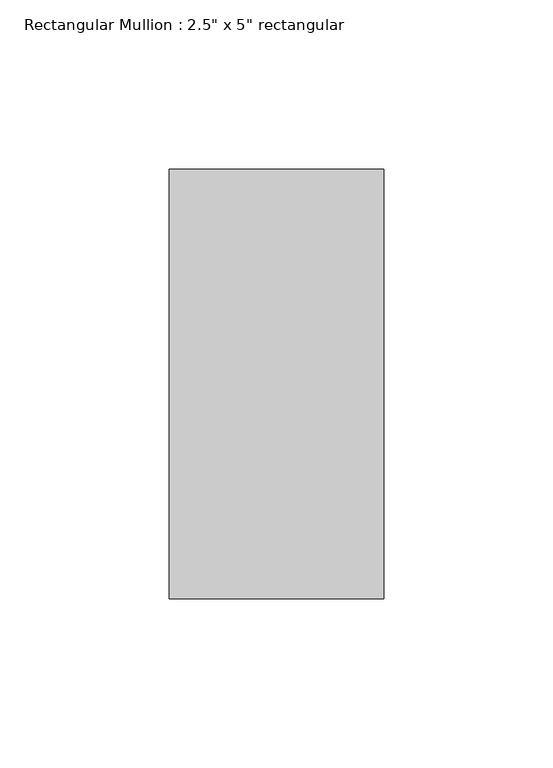
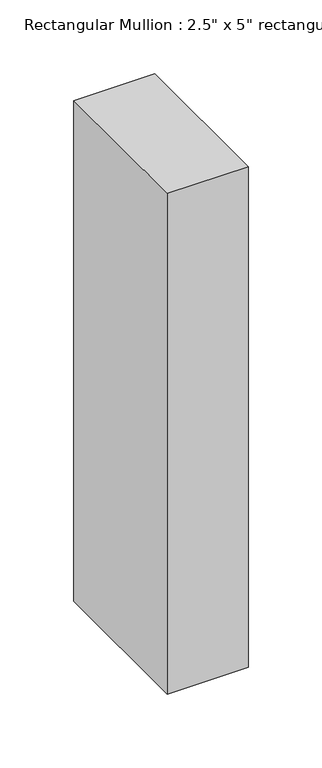
"""IFC4 building model written with IfcOpenShell, lengths in millimetres: member geometry."""

from ifc_helpers import new_model, si_unit, frame, origin, place, context, project, spatial, polyline, outline, extrude, source, transform, mapped, element, save


def member_cc20b924(model_context):
    return source(origin(), model_context, "Body", "SweptSolid", [
        extrude(outline(polyline([(0.0, 63.5), (0.0, -63.5), (-63.5, -63.5), (-63.5, 63.5), (0.0, 63.5)])), frame((0.0, 0.0, -414.8666667), z_axis=(0.0, 0.0, 1.0), x_axis=(1.0, 0.0, 0.0)), (0.0, 0.0, 1.0), 414.8666667),
    ])


if __name__ == "__main__":
    model = new_model("IFC4")
    model_context = context("Model", 3, world=origin())
    ifc_project = project(units=[si_unit("LENGTHUNIT", "METRE", prefix="MILLI")], contexts=[model_context])
    site = spatial("IfcSite", under=ifc_project)
    building = spatial("IfcBuilding", under=site)
    placement = place(None, origin())
    member_shape = member_cc20b924(model_context)
    element("IfcMember", 1, ObjectType="Rectangular Mullion : 2.5\" x 5\" rectangular", at=placement, inside=building, context=model_context, shape_type="MappedRepresentation", body=[
        mapped(member_shape, transform((0.0, 0.0, 0.0), x_axis=(1.0, 0.0, 0.0), y_axis=(0.0, 1.0, 0.0), z_axis=(0.0, 0.0, 1.0))),
    ])
    save(model, "model.ifc")
